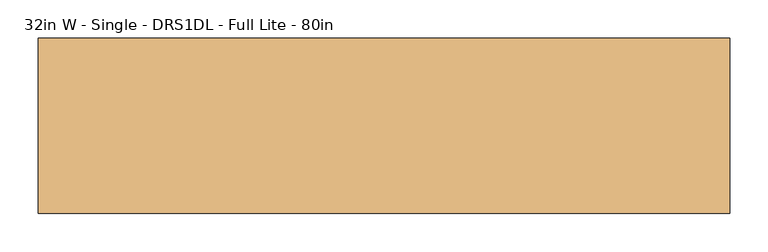
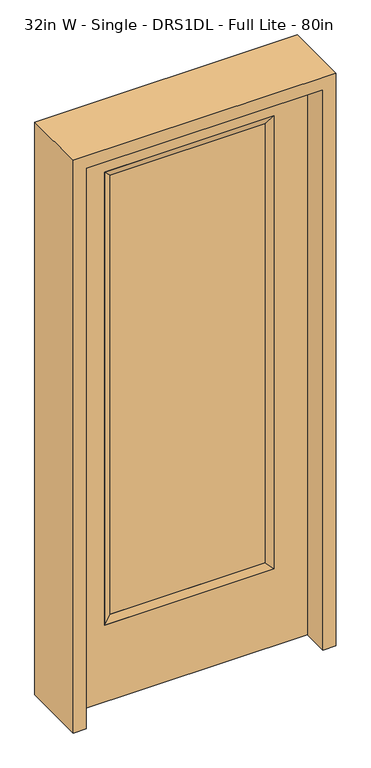
"""IFC4 building model written with IfcOpenShell, lengths in millimetres: door geometry, 32in W - Single - DRS1DL - Full Lite - 80in."""

from ifc_helpers import new_model, si_unit, frame, origin, place, context, project, spatial, polyline, outline, extrude, faceted_brep, source, transform, mapped, element, save


def door_32in_w_single_drs1dl_full_lite_80in_8e61e2f0(model_context):
    return source(origin(), model_context, "Body", "SolidModel", [
        extrude(outline(polyline([(265.5824, -12.7039749), (-265.5824, -12.7039749), (-265.5824, 14.2875), (265.5824, 14.2875), (265.5824, -12.7039749)])), frame((0.0, 0.0, 304.8), z_axis=(0.0, 0.0, 1.0), x_axis=(1.0, 0.0, 0.0)), (0.0, 0.0, 1.0), 1591.1576),
        faceted_brep([(265.5824, 14.2875, 1895.9576), (290.9824, 22.225, 1921.3576), (290.9824, 22.225, 279.4), (265.5824, 14.2875, 304.8), (290.9824, -22.225, 1921.3576), (290.9824, -22.225, 279.4), (-290.9824, 22.225, 279.4), (-265.5824, 14.2875, 304.8), (265.5824, -12.7039749, 1895.9576), (265.5824, -12.7039749, 304.8), (-265.5824, -12.7039749, 304.8), (-290.9824, -22.225, 279.4), (-290.9824, 22.225, 1921.3576), (-265.5824, 14.2875, 1895.9576), (-265.5824, -12.7039749, 1895.9576), (-290.9824, -22.225, 1921.3576)], [[[0, 1, 2, 3]], [[1, 4, 5, 2]], [[3, 2, 6, 7]], [[8, 0, 3, 9]], [[9, 3, 7, 10]], [[4, 8, 9, 5]], [[5, 9, 10, 11]], [[2, 5, 11, 6]], [[7, 6, 12, 13]], [[10, 7, 13, 14]], [[11, 10, 14, 15]], [[6, 11, 15, 12]], [[13, 12, 1, 0]], [[14, 13, 0, 8]], [[15, 14, 8, 4]], [[12, 15, 4, 1]]]),
        extrude(outline(polyline([(0.0, -406.4), (0.0, 406.4), (2032.0, 406.4), (2032.0, -406.4), (0.0, -406.4)]), holes=[polyline([(279.4, -290.9824), (1921.3576, -290.9824), (1921.3576, 290.9824), (279.4, 290.9824), (279.4, -290.9824)])]), frame((0.0, -22.225, 0.0), z_axis=(0.0, 1.0, 0.0), x_axis=(0.0, 0.0, 1.0)), (0.0, 0.0, 1.0), 44.45),
        extrude(outline(polyline([(0.0, -450.85), (0.0, -406.4), (2032.0, -406.4), (2032.0, 406.4), (0.0, 406.4), (0.0, 450.85), (2076.45, 450.85), (2076.45, -450.85), (0.0, -450.85)])), frame((0.0, -114.3, 0.0), z_axis=(0.0, 1.0, 0.0), x_axis=(0.0, 0.0, 1.0)), (0.0, 0.0, 1.0), 228.6),
    ])


if __name__ == "__main__":
    model = new_model("IFC4")
    model_context = context("Model", 3, world=origin())
    ifc_project = project(units=[si_unit("LENGTHUNIT", "METRE", prefix="MILLI")], contexts=[model_context])
    site = spatial("IfcSite", under=ifc_project)
    building = spatial("IfcBuilding", under=site)
    placement = place(None, origin())
    door_32in_w_single_drs1dl_full_lite_80in_shape = door_32in_w_single_drs1dl_full_lite_80in_8e61e2f0(model_context)
    element("IfcDoor", 1, ObjectType="32in W - Single - DRS1DL - Full Lite - 80in", at=placement, inside=building, context=model_context, shape_type="MappedRepresentation", body=[
        mapped(door_32in_w_single_drs1dl_full_lite_80in_shape, transform((0.0, 0.0, 0.0), x_axis=(1.0, 0.0, 0.0), y_axis=(0.0, 1.0, 0.0), z_axis=(0.0, 0.0, 1.0))),
    ])
    save(model, "model.ifc")
